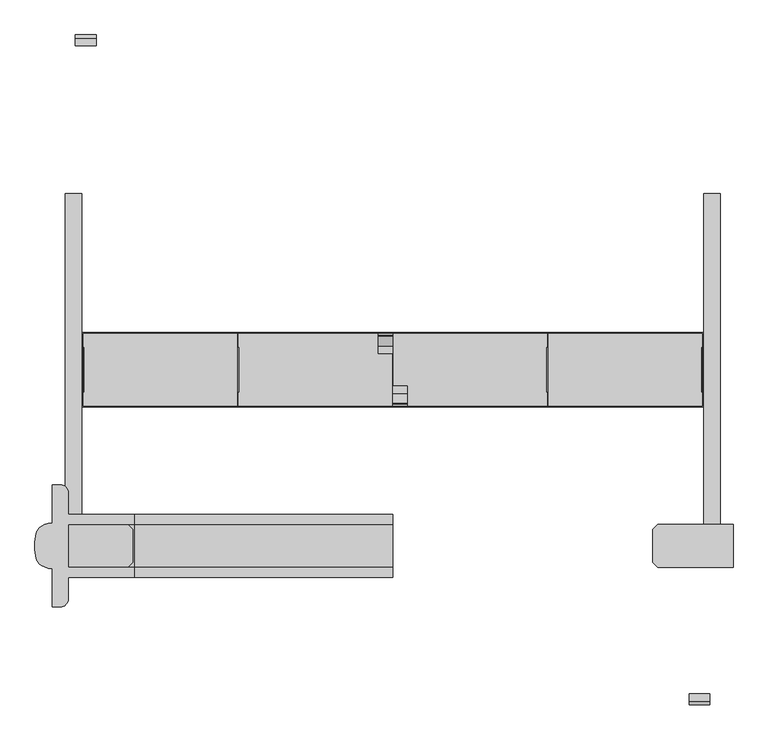
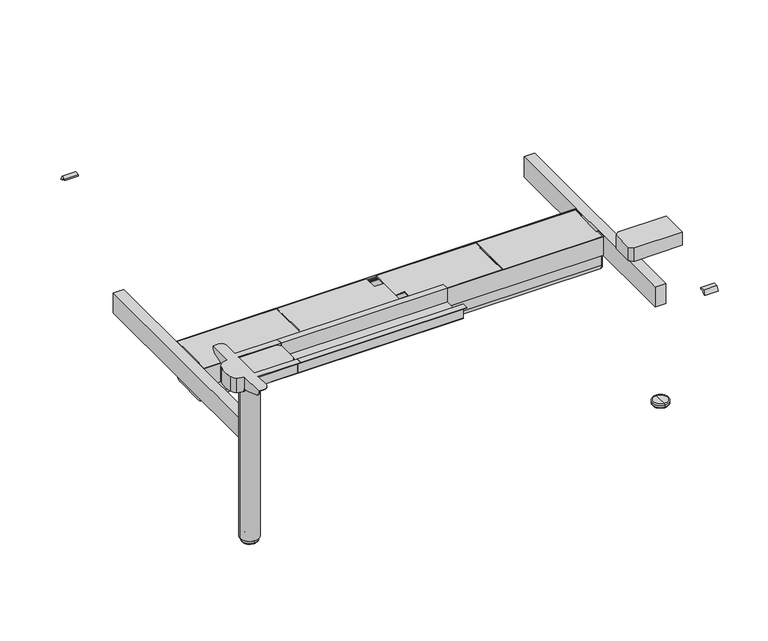
"""IFC4 building model written with IfcOpenShell, lengths in millimetres: furniture geometry."""

from ifc_helpers import new_model, si_unit, point, frame, frame_2d, origin, place, context, project, spatial, polyline, circle_curve, ellipse_curve, trimmed, segment, composite_curve, outline, extrude, faceted_brep, source, transform, mapped, element, save
from ifc_brep_helpers import plane_surface, cylinder_surface, revolved_surface, advanced_brep


def furniture_9c3af2d4(model_context):
    return source(origin(), model_context, "Body", "SolidModel", [
        advanced_brep(
        [(1670.0, -395.0, 11.9999997), (1670.0, -398.0, 14.9999997), (1670.0, -452.0, 14.9999997), (1670.0, -455.0, 11.9999997), (1670.0, -395.0, 3.0), (1670.0, -455.0, 3.0), (1670.0, -398.0, 0.0), (1670.0, -452.0, 0.0), (1670.0, -425.0, 0.0), (1670.0, -425.0, 14.9999997)],
        [
            (0, 1, circle_curve(frame((1670.0, -398.0, 11.9999997), z_axis=(1.0, 0.0, 0.0), x_axis=(0.0, -1.0, 0.0)), 3.0)),
            (1, 2, circle_curve(frame((1670.0, -425.0, 14.9999997), z_axis=(0.0, 0.0, -1.0), x_axis=(0.0, -1.0, 0.0)), 27.0)),
            (2, 3, circle_curve(frame((1670.0, -452.0, 11.9999997), z_axis=(1.0, 0.0, 0.0), x_axis=(0.0, 1.0, 0.0)), 3.0)),
            (3, 0, circle_curve(frame((1670.0, -425.0, 11.9999997), z_axis=(0.0, 0.0, 1.0), x_axis=(0.0, -1.0, 0.0)), 30.0)),
            (2, 1, circle_curve(frame((1670.0, -425.0, 14.9999997), z_axis=(0.0, 0.0, -1.0), x_axis=(0.0, -1.0, 0.0)), 27.0)),
            (0, 3, circle_curve(frame((1670.0, -425.0, 11.9999997), z_axis=(0.0, 0.0, 1.0), x_axis=(0.0, -1.0, 0.0)), 30.0)),
            (4, 0),
            (3, 5),
            (5, 4, circle_curve(frame((1670.0, -425.0, 3.0), z_axis=(0.0, 0.0, 1.0), x_axis=(0.0, -1.0, 0.0)), 30.0)),
            (4, 5, circle_curve(frame((1670.0, -425.0, 3.0), z_axis=(0.0, 0.0, 1.0), x_axis=(0.0, -1.0, 0.0)), 30.0)),
            (6, 4, circle_curve(frame((1670.0, -398.0, 3.0), z_axis=(1.0, 0.0, 0.0), x_axis=(0.0, -1.0, 0.0)), 3.0)),
            (5, 7, circle_curve(frame((1670.0, -452.0, 3.0), z_axis=(1.0, 0.0, 0.0), x_axis=(0.0, 1.0, 0.0)), 3.0)),
            (7, 6, circle_curve(frame((1670.0, -425.0, 0.0), z_axis=(0.0, 0.0, 1.0), x_axis=(0.0, -1.0, 0.0)), 27.0)),
            (6, 7, circle_curve(frame((1670.0, -425.0, 0.0), z_axis=(0.0, 0.0, 1.0), x_axis=(0.0, -1.0, 0.0)), 27.0)),
            (8, 6),
            (7, 8),
            (1, 9),
            (9, 2),
        ],
        [
            revolved_surface(trimmed(ellipse_curve(frame((1670.0, -452.0, 11.9999997), z_axis=(1.0, 0.0, 0.0), x_axis=(0.0, 1.0, 0.0)), 3.0, 3.0), [point((1670.0, -452.0, 14.9999997))], [point((1670.0, -455.0, 11.9999997))], True, "CARTESIAN"), (1670.0, -425.0, -5.0), (0.0, 0.0, -1.0)),
            cylinder_surface(frame((1670.0, -425.0, -5.0), z_axis=(0.0, 0.0, -1.0), x_axis=(0.0, -1.0, 0.0)), 30.0),
            revolved_surface(trimmed(ellipse_curve(frame((1670.0, -452.0, 3.0), z_axis=(1.0, 0.0, 0.0), x_axis=(0.0, 1.0, 0.0)), 3.0, 3.0), [point((1670.0, -455.0, 3.0))], [point((1670.0, -452.0, 0.0))], True, "CARTESIAN"), (1670.0, -425.0, -5.0), (0.0, 0.0, -1.0)),
            plane_surface(frame((1670.0, -425.0, 0.0), z_axis=(0.0, 0.0, -1.0), x_axis=(0.0, -1.0, 0.0))),
            plane_surface(frame((1670.0, -425.0, 14.9999997), z_axis=(0.0, 0.0, 1.0), x_axis=(0.0, -1.0, 0.0))),
        ],
        [
            (0, [[1, 2, 3, 4]]),
            (0, [[-3, 5, -1, 6]]),
            (1, [[7, -4, 8, 9]]),
            (1, [[-8, -6, -7, 10]]),
            (2, [[11, -9, 12, 13]]),
            (2, [[-12, -10, -11, 14]]),
            (3, [[15, -13, 16]]),
            (3, [[-16, -14, -15]]),
            (4, [[17, 18, -2]]),
            (4, [[-18, -17, -5]]),
        ],
    ),
        extrude(outline(polyline([(1539.0058611, -373.0), (1721.0, -373.0), (1721.0, -477.0), (1539.0058611, -477.0), (1527.0, -464.9941389), (1527.0, -385.0058611), (1539.0058611, -373.0)])), frame((0.0, 0.0, 640.0), z_axis=(0.0, 0.0, 1.0), x_axis=(1.0, 0.0, 0.0)), (0.0, 0.0, 1.0), 52.0),
        extrude(outline(polyline([(-349.5, 692.0), (-370.0, 692.0), (-370.0, 640.0), (-373.0, 637.0), (-477.0, 637.0), (-480.0, 640.0), (-480.0, 692.0), (-500.5, 692.0), (-500.5, 695.0), (-477.0, 695.0), (-477.0, 640.0), (-373.0, 640.0), (-373.0, 695.0), (-349.5, 695.0), (-349.5, 692.0)])), frame((278.0, 0.0, 0.0), z_axis=(1.0, 0.0, 0.0), x_axis=(0.0, 1.0, 0.0)), (0.0, 0.0, 1.0), 622.0),
        extrude(outline(composite_curve([segment(trimmed(circle_curve(frame_2d((130.0, -425.0)), 35.0), [point((95.0, -425.0))], [point((165.0, -425.0))], False, "CARTESIAN"), True, "CONTINUOUS"), segment(trimmed(circle_curve(frame_2d((130.0, -425.0)), 35.0), [point((165.0, -425.0))], [point((95.0, -425.0))], False, "CARTESIAN"), True, "CONTINUOUS")], self_intersect=False)), frame((0.0, 0.0, 14.9999997), z_axis=(0.0, 0.0, 1.0), x_axis=(1.0, 0.0, 0.0)), (0.0, 0.0, 1.0), 608.0000003),
        extrude(outline(composite_curve([segment(trimmed(circle_curve(frame_2d((130.0, -425.0)), 32.0), [point((98.0, -425.0))], [point((162.0, -425.0))], False, "CARTESIAN"), True, "CONTINUOUS"), segment(trimmed(circle_curve(frame_2d((130.0, -425.0)), 32.0), [point((162.0, -425.0))], [point((98.0, -425.0))], False, "CARTESIAN"), True, "CONTINUOUS")], self_intersect=False)), frame((0.0, 0.0, 623.0), z_axis=(0.0, 0.0, 1.0), x_axis=(1.0, 0.0, 0.0)), (0.0, 0.0, 1.0), 14.0),
        advanced_brep(
        [(98.0, -572.5, 695.0), (118.0, -552.5, 695.0), (118.0, -500.5, 695.0), (278.0, -500.5, 695.0), (278.0, -477.0, 695.0), (118.0, -477.0, 695.0), (118.0, -373.0, 695.0), (278.0, -373.0, 695.0), (278.0, -349.5, 695.0), (118.0, -349.5, 695.0), (118.0, -297.5, 695.0), (98.0, -277.5, 695.0), (79.0, -277.5, 695.0), (79.0, -370.0, 695.0), (52.2763436, -378.2997982, 695.0), (40.6942682, -395.0019514, 695.0), (40.6942682, -454.9980486, 695.0), (52.2763436, -471.7002018, 695.0), (79.0, -480.0, 695.0), (79.0, -572.5, 695.0), (98.0, -277.5, 692.0), (118.0, -297.5, 692.0), (118.0, -349.5, 692.0), (278.0, -349.5, 692.0), (278.0, -370.0, 692.0), (82.0, -370.0, 692.0), (82.0, -277.5, 692.0), (118.0, -552.5, 692.0), (98.0, -572.5, 692.0), (82.0, -572.5, 692.0), (82.0, -480.0, 692.0), (278.0, -480.0, 692.0), (278.0, -500.5, 692.0), (118.0, -500.5, 692.0), (118.0, -373.0, 692.0), (118.0, -477.0, 692.0), (82.0, -477.0, 692.0), (82.0, -373.0, 692.0), (82.0, -277.5, 690.0), (79.0, -277.5, 690.0), (79.0, -288.6005858, 672.1446048), (79.0, -338.0263662, 654.4919759), (79.0, -367.7068099, 647.0), (79.0, -370.0, 647.0), (79.0, -482.2931901, 647.0), (79.0, -511.9736338, 654.4919759), (79.0, -561.3994142, 672.1446048), (79.0, -572.5, 690.0), (79.0, -480.0, 647.0), (82.0, -572.5, 690.0), (82.0, -477.0, 647.0), (82.0, -373.0, 647.0), (82.0, -288.6005858, 672.1446048), (82.0, -370.0, 647.0), (82.0, -367.7068099, 647.0), (82.0, -338.0263662, 654.4919759), (82.0, -561.3994142, 672.1446048), (82.0, -511.9736338, 654.4919759), (82.0, -482.2931901, 647.0), (82.0, -480.0, 647.0), (79.0, -477.0, 647.0), (79.0, -373.0, 647.0), (278.0, -373.0, 640.0), (278.0, -477.0, 640.0), (278.0, -480.0, 640.0), (278.0, -477.0, 637.0), (278.0, -373.0, 637.0), (278.0, -370.0, 640.0), (79.0, -373.0, 640.0), (79.0, -477.0, 640.0), (78.9091784, -480.0, 640.0), (79.0, -477.0, 637.0), (79.0, -480.0, 637.0), (52.2763436, -471.7002018, 637.0), (40.6942682, -454.9980486, 637.0), (40.6942682, -395.0019514, 637.0), (52.2763436, -378.2997982, 637.0), (79.0, -370.0, 637.0), (79.0, -373.0, 637.0), (79.0, -370.0, 640.0)],
        [
            (0, 1, circle_curve(frame((98.0, -552.5, 695.0), z_axis=(0.0, 0.0, 1.0), x_axis=(1.0, 0.0, 0.0)), 20.0)),
            (1, 2),
            (2, 3),
            (3, 4),
            (4, 5),
            (5, 6),
            (6, 7),
            (7, 8),
            (8, 9),
            (9, 10),
            (10, 11, circle_curve(frame((98.0, -297.5, 695.0), z_axis=(0.0, 0.0, 1.0), x_axis=(1.0, 0.0, 0.0)), 20.0)),
            (11, 12),
            (12, 13),
            (13, 14, circle_curve(frame((78.9545892, -417.0260458, 695.0), z_axis=(0.0, 0.0, 1.0), x_axis=(1.0, 0.0, 0.0)), 47.0260677)),
            (14, 15, circle_curve(frame((68.5881069, -401.9780188, 695.0), z_axis=(0.0, 0.0, 1.0), x_axis=(1.0, 0.0, 0.0)), 28.7529434)),
            (15, 16, circle_curve(frame((160.6416094, -425.0, 695.0), z_axis=(0.0, 0.0, 1.0), x_axis=(1.0, 0.0, 0.0)), 123.6416094)),
            (16, 17, circle_curve(frame((68.5881069, -448.0219812, 695.0), z_axis=(0.0, 0.0, 1.0), x_axis=(1.0, 0.0, 0.0)), 28.7529434)),
            (17, 18, circle_curve(frame((78.9545892, -432.9739542, 695.0), z_axis=(0.0, 0.0, 1.0), x_axis=(1.0, 0.0, 0.0)), 47.0260677)),
            (18, 19),
            (19, 0),
            (20, 21, circle_curve(frame((98.0, -297.5, 692.0), z_axis=(0.0, 0.0, -1.0), x_axis=(1.0, 0.0, 0.0)), 20.0)),
            (21, 22),
            (22, 23),
            (23, 24),
            (24, 25),
            (25, 26),
            (26, 20),
            (27, 28, circle_curve(frame((98.0, -552.5, 692.0), z_axis=(0.0, 0.0, -1.0), x_axis=(1.0, 0.0, 0.0)), 20.0)),
            (28, 29),
            (29, 30),
            (30, 31),
            (31, 32),
            (32, 33),
            (33, 27),
            (34, 35),
            (35, 36),
            (36, 37),
            (37, 34),
            (11, 20),
            (26, 38),
            (38, 39),
            (39, 12),
            (40, 41, circle_curve(frame((79.0, -405.1855435, 920.5518532), z_axis=(-1.0, 0.0, 0.0), x_axis=(0.0, 1.0, 0.0)), 274.4051993)),
            (41, 42),
            (42, 43),
            (43, 13),
            (39, 40, circle_curve(frame((79.0, -297.4105773, 690.0), z_axis=(-1.0, 0.0, 0.0), x_axis=(0.0, 1.0, 0.0)), 19.9105773)),
            (44, 45),
            (45, 46, circle_curve(frame((79.0, -444.8144565, 920.5518532), z_axis=(-1.0, 0.0, 0.0), x_axis=(0.0, 1.0, 0.0)), 274.4051993)),
            (46, 47, circle_curve(frame((79.0, -552.5894227, 690.0), z_axis=(-1.0, 0.0, 0.0), x_axis=(0.0, 1.0, 0.0)), 19.9105773)),
            (47, 19),
            (18, 48),
            (48, 44),
            (28, 0),
            (47, 49),
            (49, 29),
            (27, 1),
            (5, 35),
            (34, 6),
            (33, 2),
            (21, 10),
            (9, 22),
            (36, 50),
            (50, 51),
            (51, 37),
            (52, 38, circle_curve(frame((82.0, -297.4105773, 690.0), z_axis=(1.0, 0.0, 0.0), x_axis=(0.0, 1.0, 0.0)), 19.9105773)),
            (25, 53),
            (53, 54),
            (54, 55),
            (55, 52, circle_curve(frame((82.0, -405.1855435, 920.5518532), z_axis=(1.0, 0.0, 0.0), x_axis=(0.0, 1.0, 0.0)), 274.4051993)),
            (49, 56, circle_curve(frame((82.0, -552.5894227, 690.0), z_axis=(1.0, 0.0, 0.0), x_axis=(0.0, 1.0, 0.0)), 19.9105773)),
            (56, 57, circle_curve(frame((82.0, -444.8144565, 920.5518532), z_axis=(1.0, 0.0, 0.0), x_axis=(0.0, 1.0, 0.0)), 274.4051993)),
            (57, 58),
            (58, 59),
            (59, 30),
            (52, 40),
            (46, 56),
            (45, 57),
            (44, 58),
            (50, 60),
            (60, 61),
            (61, 51),
            (48, 59),
            (42, 54),
            (53, 43),
            (41, 55),
            (23, 8),
            (7, 62),
            (62, 63),
            (63, 4),
            (3, 32),
            (31, 64),
            (64, 65),
            (65, 66),
            (66, 67),
            (67, 24),
            (61, 68),
            (68, 62),
            (68, 69),
            (69, 63),
            (69, 60),
            (48, 70),
            (70, 64),
            (65, 71),
            (71, 72),
            (72, 73, circle_curve(frame((78.9545892, -432.9739542, 637.0), z_axis=(0.0, 0.0, -1.0), x_axis=(1.0, 0.0, 0.0)), 47.0260677)),
            (73, 74, circle_curve(frame((68.5881069, -448.0219812, 637.0), z_axis=(0.0, 0.0, -1.0), x_axis=(1.0, 0.0, 0.0)), 28.7529434)),
            (74, 75, circle_curve(frame((160.6416094, -425.0, 637.0), z_axis=(0.0, 0.0, -1.0), x_axis=(1.0, 0.0, 0.0)), 123.6416094)),
            (75, 76, circle_curve(frame((68.5881069, -401.9780188, 637.0), z_axis=(0.0, 0.0, -1.0), x_axis=(1.0, 0.0, 0.0)), 28.7529434)),
            (76, 77, circle_curve(frame((78.9545892, -417.0260458, 637.0), z_axis=(0.0, 0.0, -1.0), x_axis=(1.0, 0.0, 0.0)), 47.0260677)),
            (77, 78),
            (78, 66),
            (67, 79),
            (79, 43),
            (70, 71),
            (78, 79),
            (70, 72),
            (77, 79),
            (76, 14),
            (75, 15),
            (74, 16),
            (73, 17),
        ],
        [
            plane_surface(frame((79.0, -277.5, 695.0), z_axis=(0.0, 0.0, 1.0), x_axis=(-1.0, 0.0, 0.0))),
            plane_surface(frame((79.0, -277.5, 692.0), z_axis=(0.0, 0.0, -1.0), x_axis=(1.0, 0.0, 0.0))),
            plane_surface(frame((98.0, -277.5, 695.0), z_axis=(0.0, 1.0, 0.0), x_axis=(0.0, 0.0, -1.0))),
            plane_surface(frame((79.0, -277.5, 695.0), z_axis=(-1.0, 0.0, 0.0), x_axis=(0.0, 0.0, -1.0))),
            plane_surface(frame((79.0, -572.5, 695.0), z_axis=(0.0, -1.0, 0.0), x_axis=(0.0, 0.0, -1.0))),
            cylinder_surface(frame((98.0, -552.5, 692.0), z_axis=(0.0, 0.0, 1.0), x_axis=(1.0, 0.0, 0.0)), 20.0),
            plane_surface(frame((118.0, -552.5, 695.0), z_axis=(1.0, 0.0, 0.0), x_axis=(0.0, 0.0, -1.0))),
            cylinder_surface(frame((98.0, -297.5, 692.0), z_axis=(0.0, 0.0, 1.0), x_axis=(1.0, 0.0, 0.0)), 20.0),
            plane_surface(frame((82.0, -277.5, 690.0), z_axis=(1.0, 0.0, 0.0), x_axis=(0.0, 0.0, 1.0))),
            cylinder_surface(frame((79.0, -297.4105773, 690.0), z_axis=(1.0, 0.0, 0.0), x_axis=(0.0, 1.0, 0.0)), 19.9105773),
            cylinder_surface(frame((79.0, -552.5894227, 690.0), z_axis=(1.0, 0.0, 0.0), x_axis=(0.0, 1.0, 0.0)), 19.9105773),
            cylinder_surface(frame((79.0, -444.8144565, 920.5518532), z_axis=(1.0, 0.0, 0.0), x_axis=(0.0, 1.0, 0.0)), 274.4051993),
            plane_surface(frame((82.0, -511.9736338, 654.4919759), z_axis=(0.0, -0.24474455091917155, -0.9695875952152921), x_axis=(-1.0, 0.0, 0.0))),
            plane_surface(frame((82.0, -482.2931901, 647.0), z_axis=(0.0, 0.0, -1.0), x_axis=(-1.0, 0.0, 0.0))),
            plane_surface(frame((82.0, -367.7068099, 647.0), z_axis=(0.0, 0.24474455091895964, -0.9695875952153455), x_axis=(-1.0, 0.0, 0.0))),
            cylinder_surface(frame((79.0, -405.1855435, 920.5518532), z_axis=(1.0, 0.0, 0.0), x_axis=(0.0, 1.0, 0.0)), 274.4051993),
            plane_surface(frame((278.0, -349.5, 695.0), z_axis=(1.0, 0.0, 0.0), x_axis=(0.0, 0.0, 1.0))),
            plane_surface(frame((278.0, -349.5, 692.0), z_axis=(0.0, 1.0, 0.0), x_axis=(-1.0, 0.0, 0.0))),
            plane_surface(frame((278.0, -373.0, 695.0), z_axis=(0.0, -1.0, 0.0), x_axis=(-1.0, 0.0, 0.0))),
            plane_surface(frame((278.0, -373.0, 640.0), z_axis=(0.0, 0.0, 1.0), x_axis=(-1.0, 0.0, 0.0))),
            plane_surface(frame((278.0, -477.0, 640.0), z_axis=(0.0, 1.0, 0.0), x_axis=(-1.0, 0.0, 0.0))),
            plane_surface(frame((278.0, -500.5, 695.0), z_axis=(0.0, -1.0, 0.0), x_axis=(-1.0, 0.0, 0.0))),
            plane_surface(frame((278.0, -480.0, 692.0), z_axis=(0.0, -1.0, 0.0), x_axis=(-1.0, 0.0, 0.0))),
            plane_surface(frame((278.0, -477.0, 637.0), z_axis=(0.0, 0.0, -1.0), x_axis=(-1.0, 0.0, 0.0))),
            plane_surface(frame((278.0, -370.0, 640.0), z_axis=(0.0, 1.0, 0.0), x_axis=(-1.0, 0.0, 0.0))),
            plane_surface(frame((278.0, -480.0, 640.0), z_axis=(0.0, -0.7071067811945555, -0.7071067811785396), x_axis=(-1.0, 0.0, 0.0))),
            plane_surface(frame((278.0, -373.0, 637.0), z_axis=(0.0, 0.7071067811865396, -0.7071067811865555), x_axis=(-1.0, 0.0, 0.0))),
            plane_surface(frame((79.0, -480.0, 695.0), z_axis=(1.0, 0.0, 0.0), x_axis=(0.0, 0.0, -1.0))),
            cylinder_surface(frame((78.9545892, -417.0260458, 637.0), z_axis=(0.0, 0.0, 1.0), x_axis=(1.0, 0.0, 0.0)), 47.0260677),
            cylinder_surface(frame((68.5881069, -401.9780188, 637.0), z_axis=(0.0, 0.0, 1.0), x_axis=(1.0, 0.0, 0.0)), 28.7529434),
            cylinder_surface(frame((160.6416094, -425.0, 637.0), z_axis=(0.0, 0.0, 1.0), x_axis=(1.0, 0.0, 0.0)), 123.6416094),
            cylinder_surface(frame((68.5881069, -448.0219812, 637.0), z_axis=(0.0, 0.0, 1.0), x_axis=(1.0, 0.0, 0.0)), 28.7529434),
            cylinder_surface(frame((78.9545892, -432.9739542, 637.0), z_axis=(0.0, 0.0, 1.0), x_axis=(1.0, 0.0, 0.0)), 47.0260677),
        ],
        [
            (0, [[1, 2, 3, 4, 5, 6, 7, 8, 9, 10, 11, 12, 13, 14, 15, 16, 17, 18, 19, 20]]),
            (1, [[21, 22, 23, 24, 25, 26, 27]]),
            (1, [[28, 29, 30, 31, 32, 33, 34]]),
            (1, [[35, 36, 37, 38]]),
            (2, [[39, -27, 40, 41, 42, -12]]),
            (3, [[43, 44, 45, 46, -13, -42, 47]]),
            (3, [[48, 49, 50, 51, -19, 52, 53]]),
            (4, [[54, -20, -51, 55, 56, -29]]),
            (5, [[-1, -54, -28, 57]]),
            (6, [[-6, 58, -35, 59]]),
            (6, [[-57, -34, 60, -2]]),
            (6, [[61, -10, 62, -22]]),
            (7, [[-11, -61, -21, -39]]),
            (8, [[-37, 63, 64, 65]]),
            (8, [[66, -40, -26, 67, 68, 69, 70]]),
            (8, [[71, 72, 73, 74, 75, -30, -56]]),
            (9, [[-66, 76, -47, -41]]),
            (10, [[-71, -55, -50, 77]]),
            (11, [[-72, -77, -49, 78]]),
            (12, [[-73, -78, -48, 79]]),
            (13, [[-64, 80, 81, 82]]),
            (13, [[-79, -53, 83, -74]]),
            (13, [[84, -68, 85, -45]]),
            (14, [[-69, -84, -44, 86]]),
            (15, [[-70, -86, -43, -76]]),
            (16, [[87, -8, 88, 89, 90, -4, 91, -32, 92, 93, 94, 95, 96, -24]]),
            (17, [[-87, -23, -62, -9]]),
            (18, [[-88, -7, -59, -38, -65, -82, 97, 98]]),
            (19, [[-89, -98, 99, 100]]),
            (20, [[-90, -100, 101, -80, -63, -36, -58, -5]]),
            (21, [[-91, -3, -60, -33]]),
            (22, [[-92, -31, -75, -83, 102, 103]]),
            (23, [[-94, 104, 105, 106, 107, 108, 109, 110, 111, 112]]),
            (24, [[-96, 113, 114, -85, -67, -25]]),
            (25, [[-93, -103, 115, -104]]),
            (26, [[-95, -112, 116, -113]]),
            (27, [[-81, -101, -99, -97]]),
            (27, [[-105, -115, 117]]),
            (27, [[118, -116, -111]]),
            (28, [[-14, -46, -114, -118, -110, 119]]),
            (29, [[-15, -119, -109, 120]]),
            (30, [[-16, -120, -108, 121]]),
            (31, [[-17, -121, -107, 122]]),
            (32, [[-18, -122, -106, -117, -102, -52]]),
        ],
    ),
        advanced_brep(
        [(130.0, -395.0, 11.9999997), (130.0, -455.0, 11.9999997), (130.0, -452.0, 14.9999997), (130.0, -398.0, 14.9999997), (130.0, -395.0, 3.0), (130.0, -455.0, 3.0), (130.0, -398.0, 0.0), (130.0, -452.0, 0.0), (130.0, -425.0, 0.0), (130.0, -425.0, 14.9999997)],
        [
            (0, 1, circle_curve(frame((130.0, -425.0, 11.9999997), z_axis=(0.0, 0.0, 1.0), x_axis=(0.0, -1.0, 0.0)), 30.0)),
            (1, 2, circle_curve(frame((130.0, -452.0, 11.9999997), z_axis=(-1.0, 0.0, 0.0), x_axis=(0.0, 1.0, 0.0)), 3.0)),
            (2, 3, circle_curve(frame((130.0, -425.0, 14.9999997), z_axis=(0.0, 0.0, -1.0), x_axis=(0.0, -1.0, 0.0)), 27.0)),
            (3, 0, circle_curve(frame((130.0, -398.0, 11.9999997), z_axis=(-1.0, 0.0, 0.0), x_axis=(0.0, -1.0, 0.0)), 3.0)),
            (1, 0, circle_curve(frame((130.0, -425.0, 11.9999997), z_axis=(0.0, 0.0, 1.0), x_axis=(0.0, -1.0, 0.0)), 30.0)),
            (3, 2, circle_curve(frame((130.0, -425.0, 14.9999997), z_axis=(0.0, 0.0, -1.0), x_axis=(0.0, -1.0, 0.0)), 27.0)),
            (4, 5, circle_curve(frame((130.0, -425.0, 3.0), z_axis=(0.0, 0.0, 1.0), x_axis=(0.0, -1.0, 0.0)), 30.0)),
            (5, 1),
            (0, 4),
            (5, 4, circle_curve(frame((130.0, -425.0, 3.0), z_axis=(0.0, 0.0, 1.0), x_axis=(0.0, -1.0, 0.0)), 30.0)),
            (6, 7, circle_curve(frame((130.0, -425.0, 0.0), z_axis=(0.0, 0.0, 1.0), x_axis=(0.0, -1.0, 0.0)), 27.0)),
            (7, 5, circle_curve(frame((130.0, -452.0, 3.0), z_axis=(-1.0, 0.0, 0.0), x_axis=(0.0, 1.0, 0.0)), 3.0)),
            (4, 6, circle_curve(frame((130.0, -398.0, 3.0), z_axis=(-1.0, 0.0, 0.0), x_axis=(0.0, -1.0, 0.0)), 3.0)),
            (7, 6, circle_curve(frame((130.0, -425.0, 0.0), z_axis=(0.0, 0.0, 1.0), x_axis=(0.0, -1.0, 0.0)), 27.0)),
            (8, 7),
            (6, 8),
            (2, 9),
            (9, 3),
        ],
        [
            revolved_surface(trimmed(ellipse_curve(frame((130.0, -452.0, 11.9999997), z_axis=(1.0, 0.0, 0.0), x_axis=(0.0, 1.0, 0.0)), 3.0, 3.0), [point((130.0, -452.0, 14.9999997))], [point((130.0, -455.0, 11.9999997))], True, "CARTESIAN"), (130.0, -425.0, -5.0), (0.0, 0.0, -1.0)),
            cylinder_surface(frame((130.0, -425.0, -5.0), z_axis=(0.0, 0.0, -1.0), x_axis=(0.0, -1.0, 0.0)), 30.0),
            revolved_surface(trimmed(ellipse_curve(frame((130.0, -452.0, 3.0), z_axis=(1.0, 0.0, 0.0), x_axis=(0.0, 1.0, 0.0)), 3.0, 3.0), [point((130.0, -455.0, 3.0))], [point((130.0, -452.0, 0.0))], True, "CARTESIAN"), (130.0, -425.0, -5.0), (0.0, 0.0, -1.0)),
            plane_surface(frame((130.0, -425.0, 0.0), z_axis=(0.0, 0.0, -1.0), x_axis=(0.0, -1.0, 0.0))),
            plane_surface(frame((130.0, -425.0, 14.9999997), z_axis=(0.0, 0.0, 1.0), x_axis=(0.0, -1.0, 0.0))),
        ],
        [
            (0, [[1, 2, 3, 4]]),
            (0, [[5, -4, 6, -2]]),
            (1, [[7, 8, -1, 9]]),
            (1, [[10, -9, -5, -8]]),
            (2, [[11, 12, -7, 13]]),
            (2, [[14, -13, -10, -12]]),
            (3, [[15, -11, 16]]),
            (3, [[-16, -14, -15]]),
            (4, [[-3, 17, 18]]),
            (4, [[-6, -18, -17]]),
        ],
    ),
        extrude(outline(polyline([(260.9941389, -373.0), (273.0, -385.0058611), (273.0, -464.9941389), (260.9941389, -477.0), (79.0, -477.0), (79.0, -373.0), (260.9941389, -373.0)])), frame((0.0, 0.0, 640.0), z_axis=(0.0, 0.0, 1.0), x_axis=(1.0, 0.0, 0.0)), (0.0, 0.0, 1.0), 52.0),
        extrude(outline(polyline([(-808.0, 679.0), (-800.0, 695.0), (-782.0, 695.0), (-782.0, 689.0), (-795.0, 689.0), (-800.0, 679.0), (-808.0, 679.0)])), frame((1615.0, 0.0, 0.0), z_axis=(1.0, 0.0, 0.0), x_axis=(0.0, 1.0, 0.0)), (0.0, 0.0, 1.0), 50.0),
        extrude(outline(composite_curve([segment(polyline([(82.5, 391.4998693), (82.5, 347.9998693)]), True, "CONTINUOUS"), segment(trimmed(circle_curve(frame_2d((57.5, 347.9998693)), 25.0), [point((82.5, 347.9998693))], [point((57.5, 322.9998693))], False, "CARTESIAN"), True, "CONTINUOUS"), segment(polyline([(57.5, 322.9998693), (-57.5, 322.9998693)]), True, "CONTINUOUS"), segment(trimmed(circle_curve(frame_2d((-57.5, 347.9998693)), 25.0), [point((-57.5, 322.9998693))], [point((-82.5, 347.9998693))], False, "CARTESIAN"), True, "CONTINUOUS"), segment(polyline([(-82.5, 347.9998693), (-82.5, 391.4998693), (82.5, 391.4998693)]), True, "CONTINUOUS")], self_intersect=False)), frame((1647.5, 0.0, 0.0), z_axis=(1.0, 0.0, 0.0), x_axis=(0.0, 1.0, 0.0)), (0.0, 0.0, 1.0), 2.5),
        extrude(outline(composite_curve([segment(polyline([(82.5, 391.4998693), (82.5, 347.9998693)]), True, "CONTINUOUS"), segment(trimmed(circle_curve(frame_2d((57.5, 347.9998693)), 25.0), [point((82.5, 347.9998693))], [point((57.5, 322.9998693))], False, "CARTESIAN"), True, "CONTINUOUS"), segment(polyline([(57.5, 322.9998693), (-57.5, 322.9998693)]), True, "CONTINUOUS"), segment(trimmed(circle_curve(frame_2d((-57.5, 347.9998693)), 25.0), [point((-57.5, 322.9998693))], [point((-82.5, 347.9998693))], False, "CARTESIAN"), True, "CONTINUOUS"), segment(polyline([(-82.5, 347.9998693), (-82.5, 391.4998693), (82.5, 391.4998693)]), True, "CONTINUOUS")], self_intersect=False)), frame((150.0, 0.0, 0.0), z_axis=(1.0, 0.0, 0.0), x_axis=(0.0, 1.0, 0.0)), (0.0, 0.0, 1.0), 2.5),
        faceted_brep([(152.5, 54.5, 465.4998693), (152.5, 54.5, 436.5), (152.5, -54.5, 436.5), (152.5, -54.5, 465.4998693), (152.5, -88.5, 465.4998693), (152.5, -88.5, 459.4997864), (152.5, -83.5, 459.4997864), (152.5, -83.5, 457.9924389), (152.5, -88.5, 457.9924389), (152.5, -88.5, 451.0609414), (152.5, -83.5, 451.0609414), (152.5, -83.5, 449.5162381), (152.5, -88.5, 449.5162381), (152.5, -88.5, 391.4998693), (152.5, 88.5, 391.4998693), (152.5, 88.5, 449.5162381), (152.5, 83.5, 449.5162381), (152.5, 83.5, 451.0609414), (152.5, 88.5, 451.0609414), (152.5, 88.5, 457.9924389), (152.5, 83.5, 457.9924389), (152.5, 83.5, 459.4997864), (152.5, 88.5, 459.4997864), (152.5, 88.5, 465.4998693), (150.0, 54.5, 465.4998693), (150.0, 90.0, 465.4998693), (150.0, 90.0, 391.4998693), (150.0, -90.0, 391.4998693), (150.0, -90.0, 465.4998693), (150.0, -54.5, 465.4998693), (150.0, -54.5, 436.5), (150.0, 54.5, 436.5), (1650.0, -90.0, 465.4998693), (1650.0, -54.5, 465.4998693), (1647.5, -54.5, 465.4998693), (1647.5, -88.5, 465.4998693), (1650.0, -90.0, 391.4998693), (1650.0, 90.0, 391.4998693), (1647.5, -88.5, 391.4998693), (1647.5, 88.5, 391.4998693), (1650.0, 90.0, 465.4998693), (1647.5, 88.5, 465.4998693), (1647.5, 54.5, 465.4998693), (1650.0, 54.5, 465.4998693), (1647.5, 88.5, 459.4997864), (1647.5, 83.5, 459.4997864), (1647.5, 83.5, 457.9924389), (1647.5, 88.5, 457.9924389), (1647.5, 88.5, 451.0609414), (1647.5, 83.5, 451.0609414), (1647.5, 83.5, 449.5162381), (1647.5, 88.5, 449.5162381), (1647.5, -88.5, 449.5162381), (1647.5, -83.5, 449.5162381), (1647.5, -83.5, 451.0609414), (1647.5, -88.5, 451.0609414), (1647.5, -88.5, 457.9924389), (1647.5, -83.5, 457.9924389), (1647.5, -83.5, 459.4997864), (1647.5, -88.5, 459.4997864), (1650.0, 54.5, 436.5), (1650.0, -54.5, 436.5), (1647.5, -54.5, 436.5), (1647.5, 54.5, 436.5)], [[[0, 1, 2, 3, 4, 5, 6, 7, 8, 9, 10, 11, 12, 13, 14, 15, 16, 17, 18, 19, 20, 21, 22, 23]], [[24, 25, 26, 27, 28, 29, 30, 31]], [[1, 0, 24, 31]], [[2, 1, 31, 30]], [[3, 2, 30, 29]], [[29, 28, 32, 33, 34, 35, 4, 3]], [[32, 28, 27, 36]], [[36, 27, 26, 37], [13, 38, 39, 14]], [[37, 26, 25, 40]], [[40, 25, 24, 0, 23, 41, 42, 43]], [[41, 23, 22, 44]], [[44, 22, 21, 45]], [[45, 21, 20, 46]], [[46, 20, 19, 47]], [[47, 19, 18, 48]], [[48, 18, 17, 49]], [[49, 17, 16, 50]], [[50, 16, 15, 51]], [[51, 15, 14, 39]], [[38, 13, 12, 52]], [[52, 12, 11, 53]], [[53, 11, 10, 54]], [[54, 10, 9, 55]], [[55, 9, 8, 56]], [[56, 8, 7, 57]], [[57, 7, 6, 58]], [[58, 6, 5, 59]], [[59, 5, 4, 35]], [[43, 60, 61, 33, 32, 36, 37, 40]], [[34, 62, 63, 42, 41, 44, 45, 46, 47, 48, 49, 50, 51, 39, 38, 52, 53, 54, 55, 56, 57, 58, 59, 35]], [[60, 43, 42, 63]], [[61, 60, 63, 62]], [[33, 61, 62, 34]]]),
        extrude(outline(polyline([(525.25, 87.5), (525.25, -87.5), (153.5, -87.5), (153.5, -54.5), (156.0, -54.5), (156.0, 54.5), (153.5, 54.5), (153.5, 87.5), (525.25, 87.5)])), frame((0.0, 0.0, 460.9998693), z_axis=(0.0, 0.0, 1.0), x_axis=(1.0, 0.0, 0.0)), (0.0, 0.0, 1.0), 3.0),
        extrude(outline(polyline([(527.25, 87.5), (864.0, 87.5), (864.0, 37.5), (899.0, 37.5), (899.0, -87.5), (527.25, -87.5), (527.25, -54.5), (529.75, -54.5), (529.75, 54.5), (527.25, 54.5), (527.25, 87.5)])), frame((0.0, 0.0, 460.9998693), z_axis=(0.0, 0.0, 1.0), x_axis=(1.0, 0.0, 0.0)), (0.0, 0.0, 1.0), 3.0),
        extrude(outline(polyline([(1272.75, 87.5), (1272.75, 54.5), (1270.25, 54.5), (1270.25, -54.5), (1272.75, -54.5), (1272.75, -87.5), (936.0, -87.5), (936.0, -37.5), (901.0, -37.5), (901.0, 87.5), (1272.75, 87.5)])), frame((0.0, 0.0, 460.9998693), z_axis=(0.0, 0.0, 1.0), x_axis=(1.0, 0.0, 0.0)), (0.0, 0.0, 1.0), 3.0),
        extrude(outline(polyline([(1274.75, 87.5), (1646.5, 87.5), (1646.5, 54.5), (1644.0, 54.5), (1644.0, -54.5), (1646.5, -54.5), (1646.5, -87.5), (1274.75, -87.5), (1274.75, 87.5)])), frame((0.0, 0.0, 460.9998693), z_axis=(0.0, 0.0, 1.0), x_axis=(1.0, 0.0, 0.0)), (0.0, 0.0, 1.0), 3.0),
        extrude(outline(composite_curve([segment(trimmed(circle_curve(frame_2d((-57.5, 347.9998693)), 25.0), [point((-57.5, 322.9998693))], [point((-82.5, 347.9998693))], False, "CARTESIAN"), True, "CONTINUOUS"), segment(polyline([(-82.5, 347.9998693), (-82.5, 391.4998693), (-88.5, 391.4998693), (-88.5, 392.4998693), (-81.5, 392.4998693), (-81.5, 347.9998693)]), True, "CONTINUOUS"), segment(trimmed(circle_curve(frame_2d((-57.5, 347.9998693)), 24.0), [point((-81.5, 347.9998693))], [point((-57.5, 323.9998693))], True, "CARTESIAN"), True, "CONTINUOUS"), segment(polyline([(-57.5, 323.9998693), (57.5, 323.9998693)]), True, "CONTINUOUS"), segment(trimmed(circle_curve(frame_2d((57.5, 347.9998693)), 24.0), [point((57.5, 323.9998693))], [point((81.5, 347.9998693))], True, "CARTESIAN"), True, "CONTINUOUS"), segment(polyline([(81.5, 347.9998693), (81.5, 392.4998693), (88.5, 392.4998693), (88.5, 391.4998693), (82.5, 391.4998693), (82.5, 347.9998693)]), True, "CONTINUOUS"), segment(trimmed(circle_curve(frame_2d((57.5, 347.9998693)), 25.0), [point((82.5, 347.9998693))], [point((57.5, 322.9998693))], False, "CARTESIAN"), True, "CONTINUOUS"), segment(polyline([(57.5, 322.9998693), (-57.5, 322.9998693)]), True, "CONTINUOUS")], self_intersect=False)), frame((152.5, 0.0, 0.0), z_axis=(1.0, 0.0, 0.0), x_axis=(0.0, 1.0, 0.0)), (0.0, 0.0, 1.0), 1495.0),
        extrude(outline(polyline([(794.0557281, 689.0), (782.0, 689.0), (782.0, 695.0), (800.0, 695.0), (808.0, 679.0), (799.0557281, 679.0), (794.0557281, 689.0)])), frame((135.0, 0.0, 0.0), z_axis=(1.0, 0.0, 0.0), x_axis=(0.0, 1.0, 0.0)), (0.0, 0.0, 1.0), 50.0),
        extrude(outline(polyline([(150.0, -425.0), (110.0, -425.0), (110.0, 425.0), (150.0, 425.0), (150.0, -425.0)])), frame((0.0, 0.0, 388.4998693), z_axis=(0.0, 0.0, 1.0), x_axis=(1.0, 0.0, 0.0)), (0.0, 0.0, 1.0), 80.0),
        extrude(outline(polyline([(1690.0, -425.0), (1650.0, -425.0), (1650.0, 425.0), (1690.0, 425.0), (1690.0, -425.0)])), frame((0.0, 0.0, 388.4998693), z_axis=(0.0, 0.0, 1.0), x_axis=(1.0, 0.0, 0.0)), (0.0, 0.0, 1.0), 80.0),
    ])


if __name__ == "__main__":
    model = new_model("IFC4")
    model_context = context("Model", 3, world=origin())
    ifc_project = project(units=[si_unit("LENGTHUNIT", "METRE", prefix="MILLI")], contexts=[model_context])
    site = spatial("IfcSite", under=ifc_project)
    building = spatial("IfcBuilding", under=site)
    placement = place(None, origin())
    furniture_shape = furniture_9c3af2d4(model_context)
    element("IfcFurniture", 1, at=placement, inside=building, context=model_context, shape_type="MappedRepresentation", body=[
        mapped(furniture_shape, transform((0.0, 0.0, 0.0), x_axis=(1.0, 0.0, 0.0), y_axis=(0.0, 1.0, 0.0), z_axis=(0.0, 0.0, 1.0))),
    ])
    save(model, "model.ifc")
